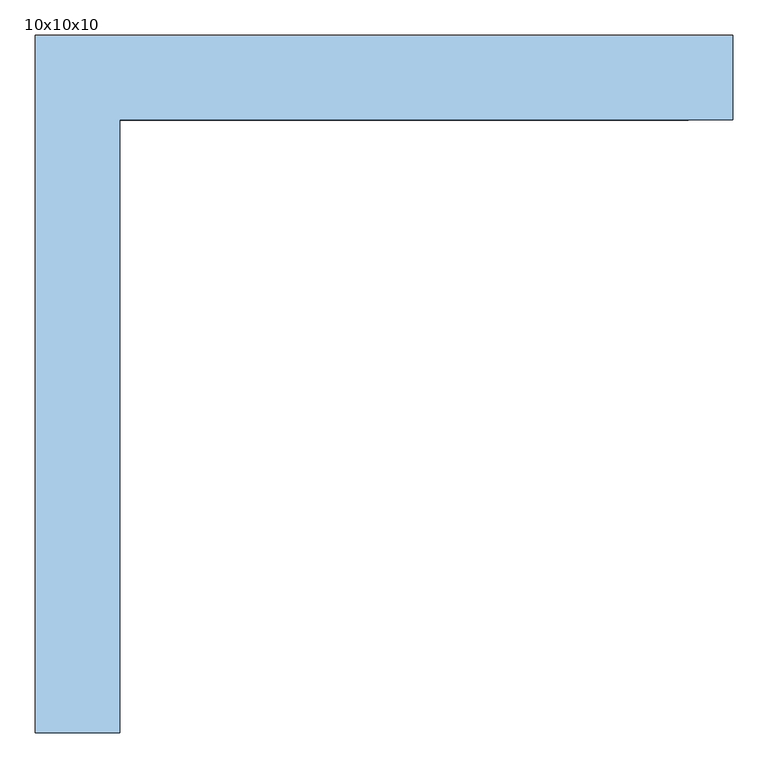
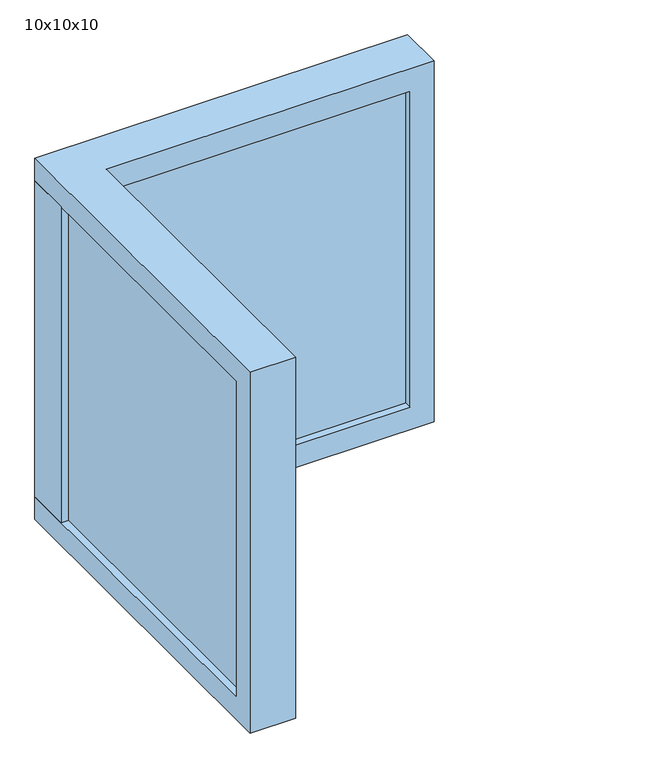
"""IFC4 building model written with IfcOpenShell, lengths in millimetres: window geometry, 10x10x10."""

from ifc_helpers import new_model, si_unit, frame, origin, place, context, project, spatial, polyline, outline, extrude, faceted_brep, source, transform, mapped, element, save


def window_10x10x10_80abd1f8(model_context):
    return source(origin(), model_context, "Body", "SolidModel", [
        extrude(outline(polyline([(-363.0, 128.0), (-363.0, 8.0), (-483.0, 8.0), (-483.0, 128.0), (-363.0, 128.0)])), frame((0.0, 0.0, 1202.5), z_axis=(0.0, 0.0, 1.0), x_axis=(1.0, 0.0, 0.0)), (0.0, 0.0, 1.0), 885.0),
        extrude(outline(polyline([(-463.0, -797.5), (-463.0, 108.0), (442.5, 108.0), (442.5, 28.0), (-383.0, 28.0), (-383.0, -797.5), (-463.0, -797.5)])), frame((0.0, 0.0, 1202.5), z_axis=(0.0, 0.0, 1.0), x_axis=(1.0, 0.0, 0.0)), (0.0, 0.0, 1.0), 885.0),
        faceted_brep([(-483.0, -797.5, 2087.5), (-483.0, -797.5, 1202.5), (-483.0, 128.0, 1202.5), (-483.0, 128.0, 1140.0), (-483.0, -860.0, 1140.0), (-483.0, -860.0, 2150.0), (-483.0, 128.0, 2150.0), (-483.0, 128.0, 2087.5), (-363.0, 8.0, 2150.0), (-363.0, -860.0, 2150.0), (-363.0, -860.0, 1140.0), (-363.0, 8.0, 1140.0), (-363.0, 8.0, 1202.5), (-363.0, -797.5, 1202.5), (-363.0, -797.5, 2087.5), (-363.0, 8.0, 2087.5), (442.5, 128.0, 2087.5), (442.5, 8.0, 2087.5), (505.0, 8.0, 2150.0), (505.0, 128.0, 2150.0), (442.5, 8.0, 1202.5), (442.5, 128.0, 1202.5), (505.0, 128.0, 1140.0), (505.0, 8.0, 1140.0)], [[[0, 1, 2, 3, 4, 5, 6, 7]], [[8, 9, 10, 11, 12, 13, 14, 15]], [[0, 7, 16, 17, 15, 14]], [[6, 5, 9, 8, 18, 19]], [[2, 1, 13, 12, 20, 21]], [[4, 3, 22, 23, 11, 10]], [[17, 20, 12, 11, 23, 18, 8, 15]], [[6, 19, 22, 3, 2, 21, 16, 7]], [[20, 17, 16, 21]], [[18, 23, 22, 19]], [[1, 0, 14, 13]], [[5, 4, 10, 9]]]),
    ])


if __name__ == "__main__":
    model = new_model("IFC4")
    model_context = context("Model", 3, world=origin())
    ifc_project = project(units=[si_unit("LENGTHUNIT", "METRE", prefix="MILLI")], contexts=[model_context])
    site = spatial("IfcSite", under=ifc_project)
    building = spatial("IfcBuilding", under=site)
    placement = place(None, origin())
    window_10x10x10_shape = window_10x10x10_80abd1f8(model_context)
    element("IfcWindow", 1, ObjectType="10x10x10", at=placement, inside=building, context=model_context, shape_type="MappedRepresentation", body=[
        mapped(window_10x10x10_shape, transform((0.0, 0.0, 0.0), x_axis=(1.0, 0.0, 0.0), y_axis=(0.0, 1.0, 0.0), z_axis=(0.0, 0.0, 1.0))),
    ])
    save(model, "model.ifc")
